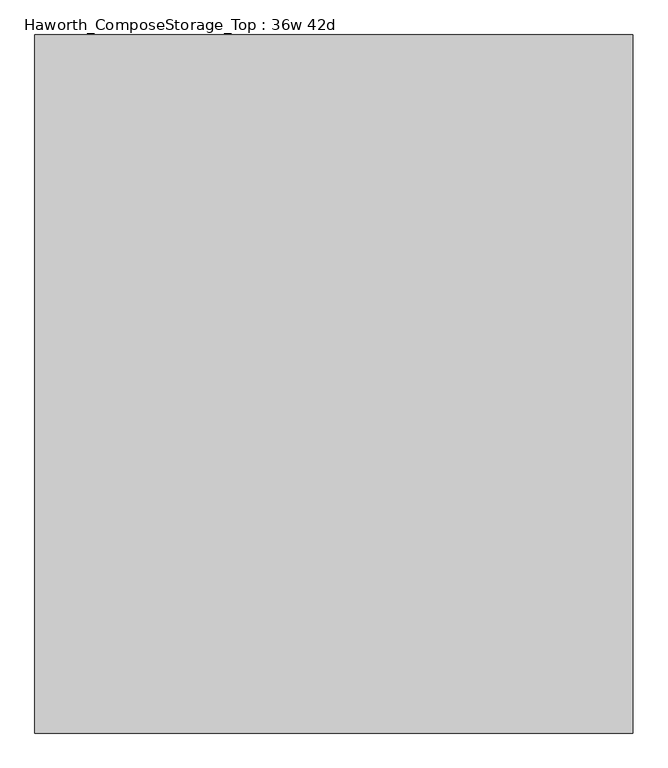
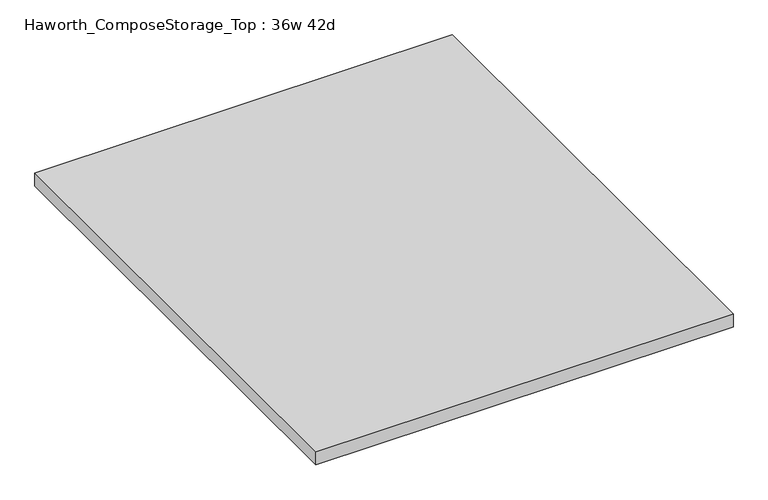
"""IFC4 building model written with IfcOpenShell, lengths in millimetres: furniture geometry, Haworth_ComposeStorage_Top : 36w 42d."""

from ifc_helpers import new_model, si_unit, frame, origin, place, context, project, spatial, polyline, outline, extrude, source, transform, mapped, element, save


def haworth_composestorage_top_36w_42d_b596d4d1(model_context):
    return source(origin(), model_context, "Body", "SweptSolid", [
        extrude(outline(polyline([(457.2, 533.4), (457.2, -533.4), (-457.2, -533.4), (-457.2, 533.4), (457.2, 533.4)])), frame((0.0, 0.0, 706.4375), z_axis=(0.0, 0.0, 1.0), x_axis=(1.0, 0.0, 0.0)), (0.0, 0.0, 1.0), 30.1625),
    ])


if __name__ == "__main__":
    model = new_model("IFC4")
    model_context = context("Model", 3, world=origin())
    ifc_project = project(units=[si_unit("LENGTHUNIT", "METRE", prefix="MILLI")], contexts=[model_context])
    site = spatial("IfcSite", under=ifc_project)
    building = spatial("IfcBuilding", under=site)
    placement = place(None, origin())
    haworth_composestorage_top_36w_42d_shape = haworth_composestorage_top_36w_42d_b596d4d1(model_context)
    element("IfcFurniture", 1, ObjectType="Haworth_ComposeStorage_Top : 36w 42d", at=placement, inside=building, context=model_context, shape_type="MappedRepresentation", body=[
        mapped(haworth_composestorage_top_36w_42d_shape, transform((0.0, 0.0, 0.0), x_axis=(1.0, 0.0, 0.0), y_axis=(0.0, 1.0, 0.0), z_axis=(0.0, 0.0, 1.0))),
    ])
    save(model, "model.ifc")
